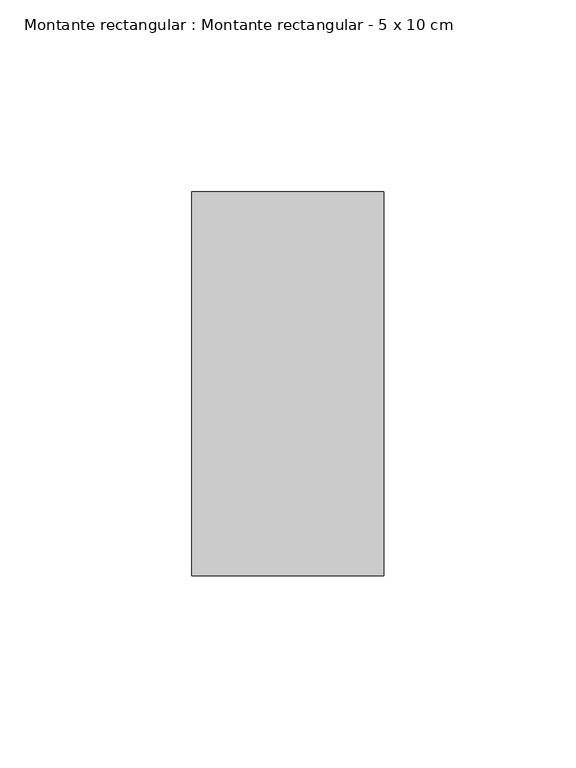
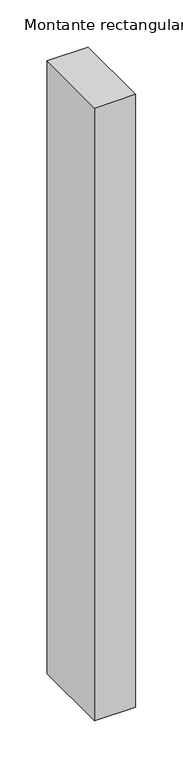
"""IFC4 building model written with IfcOpenShell, lengths in millimetres: member geometry, Montante rectangular : Montante rectangular - 5 x 10 cm."""

from ifc_helpers import new_model, si_unit, frame, origin, place, context, project, spatial, polyline, outline, extrude, source, transform, mapped, element, save


def montante_rectangular_montante_rectangular_5_x_10_cm_f355893a(model_context):
    return source(origin(), model_context, "Body", "SweptSolid", [
        extrude(outline(polyline([(-50.0, 50.0), (0.0, 50.0), (0.0, -50.0), (-50.0, -50.0), (-50.0, 50.0)])), frame((0.0, 0.0, -789.0), z_axis=(0.0, 0.0, 1.0), x_axis=(1.0, 0.0, 0.0)), (0.0, 0.0, 1.0), 789.0),
    ])


if __name__ == "__main__":
    model = new_model("IFC4")
    model_context = context("Model", 3, world=origin())
    ifc_project = project(units=[si_unit("LENGTHUNIT", "METRE", prefix="MILLI")], contexts=[model_context])
    site = spatial("IfcSite", under=ifc_project)
    building = spatial("IfcBuilding", under=site)
    placement = place(None, origin())
    montante_rectangular_montante_rectangular_5_x_10_cm_shape = montante_rectangular_montante_rectangular_5_x_10_cm_f355893a(model_context)
    element("IfcMember", 1, ObjectType="Montante rectangular : Montante rectangular - 5 x 10 cm", at=placement, inside=building, context=model_context, shape_type="MappedRepresentation", body=[
        mapped(montante_rectangular_montante_rectangular_5_x_10_cm_shape, transform((0.0, 0.0, 0.0), x_axis=(1.0, 0.0, 0.0), y_axis=(0.0, 1.0, 0.0), z_axis=(0.0, 0.0, 1.0))),
    ])
    save(model, "model.ifc")
